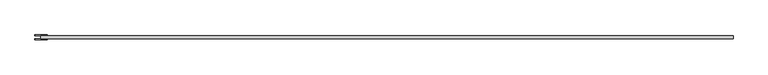
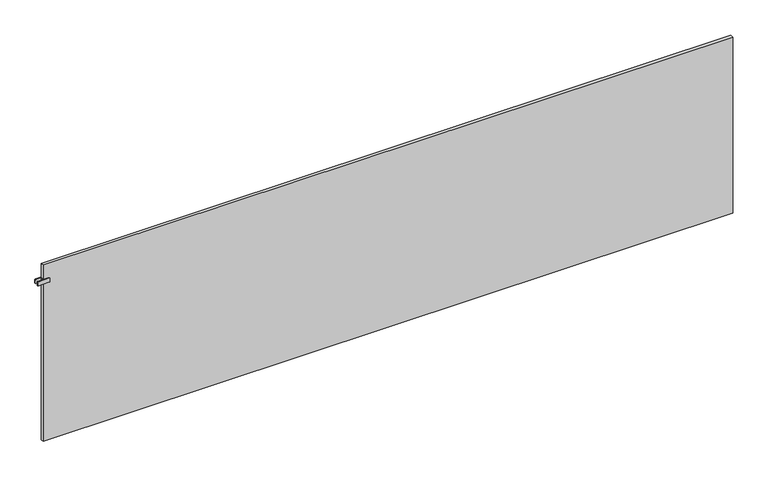
"""IFC4 building model written with IfcOpenShell, lengths in millimetres: plate geometry."""

from ifc_helpers import new_model, si_unit, point, frame, frame_2d, origin, origin_with_axes, place, context, project, spatial, polyline, circle_curve, trimmed, segment, composite_curve, outline, extrude, source, transform, mapped, element, save


def plate_4c709bd7(model_context):
    return source(origin(), model_context, "Body", "SweptSolid", [
        extrude(outline(polyline([(-1997.5, -8.75), (-1997.5, 8.75), (-1992.5, 8.75), (-1992.5, -8.75), (-1997.5, -8.75)])), frame((0.0, 0.0, 966.5), z_axis=(0.0, 0.0, 1.0), x_axis=(1.0, 0.0, 0.0)), (0.0, 0.0, 1.0), 25.0),
        extrude(outline(composite_curve([segment(trimmed(circle_curve(frame_2d((969.5, -1963.0)), 3.0), [point((966.5, -1963.0))], [point((969.5, -1960.0))], False, "CARTESIAN"), True, "CONTINUOUS"), segment(polyline([(969.5, -1960.0), (988.5, -1960.0)]), True, "CONTINUOUS"), segment(trimmed(circle_curve(frame_2d((988.5, -1963.0)), 3.0), [point((988.5, -1960.0))], [point((991.5, -1963.0))], False, "CARTESIAN"), True, "CONTINUOUS"), segment(polyline([(991.5, -1963.0), (991.5, -2027.0)]), True, "CONTINUOUS"), segment(trimmed(circle_curve(frame_2d((988.5, -2027.0)), 3.0), [point((991.5, -2027.0))], [point((988.5, -2030.0))], False, "CARTESIAN"), True, "CONTINUOUS"), segment(polyline([(988.5, -2030.0), (969.5, -2030.0)]), True, "CONTINUOUS"), segment(trimmed(circle_curve(frame_2d((969.5, -2027.0)), 3.0), [point((969.5, -2030.0))], [point((966.5, -2027.0))], False, "CARTESIAN"), True, "CONTINUOUS"), segment(polyline([(966.5, -2027.0), (966.5, -1963.0)]), True, "CONTINUOUS")], self_intersect=False)), frame((0.0, 8.75, 0.0), z_axis=(0.0, 1.0, 0.0), x_axis=(0.0, 0.0, 1.0)), (0.0, 0.0, 1.0), 5.0),
        extrude(outline(composite_curve([segment(trimmed(circle_curve(frame_2d((969.5, -1963.0)), 3.0), [point((966.5, -1963.0))], [point((969.5, -1960.0))], False, "CARTESIAN"), True, "CONTINUOUS"), segment(polyline([(969.5, -1960.0), (988.5, -1960.0)]), True, "CONTINUOUS"), segment(trimmed(circle_curve(frame_2d((988.5, -1963.0)), 3.0), [point((988.5, -1960.0))], [point((991.5, -1963.0))], False, "CARTESIAN"), True, "CONTINUOUS"), segment(polyline([(991.5, -1963.0), (991.5, -2027.0)]), True, "CONTINUOUS"), segment(trimmed(circle_curve(frame_2d((988.5, -2027.0)), 3.0), [point((991.5, -2027.0))], [point((988.5, -2030.0))], False, "CARTESIAN"), True, "CONTINUOUS"), segment(polyline([(988.5, -2030.0), (969.5, -2030.0)]), True, "CONTINUOUS"), segment(trimmed(circle_curve(frame_2d((969.5, -2027.0)), 3.0), [point((969.5, -2030.0))], [point((966.5, -2027.0))], False, "CARTESIAN"), True, "CONTINUOUS"), segment(polyline([(966.5, -2027.0), (966.5, -1963.0)]), True, "CONTINUOUS")], self_intersect=False)), frame((0.0, -13.75, 0.0), z_axis=(0.0, 1.0, 0.0), x_axis=(0.0, 0.0, 1.0)), (0.0, 0.0, 1.0), 5.0),
        extrude(outline(polyline([(1995.0, 8.75), (1995.0, -8.75), (-1995.0, -8.75), (-1995.0, 8.75), (1995.0, 8.75)])), origin_with_axes(), (0.0, 0.0, 1.0), 1079.0),
    ])


if __name__ == "__main__":
    model = new_model("IFC4")
    model_context = context("Model", 3, world=origin())
    ifc_project = project(units=[si_unit("LENGTHUNIT", "METRE", prefix="MILLI")], contexts=[model_context])
    site = spatial("IfcSite", under=ifc_project)
    building = spatial("IfcBuilding", under=site)
    placement = place(None, origin())
    plate_shape = plate_4c709bd7(model_context)
    element("IfcPlate", 1, at=placement, inside=building, context=model_context, shape_type="MappedRepresentation", body=[
        mapped(plate_shape, transform((0.0, 0.0, 0.0), x_axis=(1.0, 0.0, 0.0), y_axis=(0.0, 1.0, 0.0), z_axis=(0.0, 0.0, 1.0))),
    ])
    save(model, "model.ifc")
